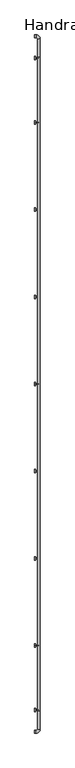
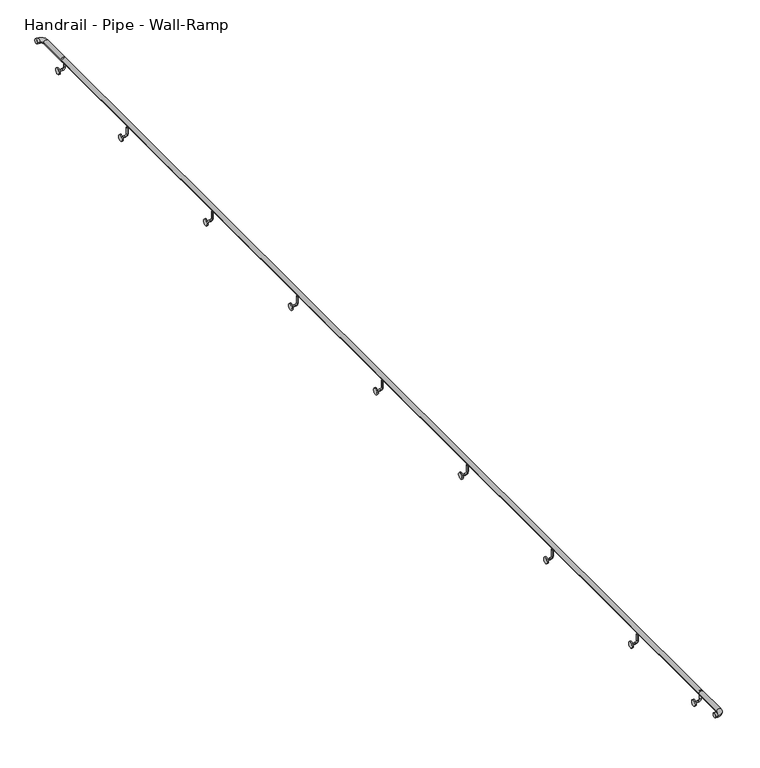
"""IFC4 building model written with IfcOpenShell, lengths in millimetres: railing geometry, Handrail - Pipe - Wall-Ramp."""

import ifcopenshell
import ifcopenshell.guid

model = None  # the IFC model being written
_history = None  # IfcOwnerHistory: only IFC2X3 demands one
_inside = {}  # id of a spatial element -> (the spatial element, [elements in it])
_under = {}  # id of a project, library or spatial element -> (it, [spatial elements below it])
_declared = {}  # id of a project -> (the project, [libraries it declares])
_typed = {}  # id of a type object -> (the type object, [elements of that type])
_made_of = {}  # id of a material, layer set ... -> (it, [elements and type objects made of it])


def new_model(schema):
    """Start an empty IFC model of exactly this schema.

    Asked for "IFC4X3", IfcOpenShell would pick the latest addendum, in which some entities
    have other attributes; the version numbers below select the first issue.
    IFC2X3 requires an IfcOwnerHistory on every rooted entity: one is made here for all.
    """
    global model, _history
    if schema == "IFC4X3":
        model = ifcopenshell.file(schema_version=(4, 3, 0, 0))
    else:
        model = ifcopenshell.file(schema=schema)
    _inside.clear()
    _under.clear()
    _declared.clear()
    _typed.clear()
    _made_of.clear()
    _history = None
    if model.schema == "IFC2X3":
        org = make("IfcOrganization", Name="unknown")
        user = make(
            "IfcPersonAndOrganization",
            ThePerson=make("IfcPerson", FamilyName="unknown"),
            TheOrganization=org,
        )
        app = make(
            "IfcApplication",
            ApplicationDeveloper=org,
            Version="unknown",
            ApplicationFullName="unknown",
            ApplicationIdentifier="unknown",
        )
        _history = make(
            "IfcOwnerHistory",
            OwningUser=user,
            OwningApplication=app,
            ChangeAction="ADDED",
            CreationDate=0,
        )
    return model


def make(cls, **values):
    """One entity of the class cls with the attributes given. An attribute that is None is left unset."""
    return model.create_entity(
        cls, **{name: value for name, value in values.items() if value is not None}
    )


def rooted(cls, **values):
    """An entity with a GlobalId (a new one), such as an element, a storey or a relation."""
    return make(cls, GlobalId=ifcopenshell.guid.new(), OwnerHistory=_history, **values)


def si_unit(unit_type, name, prefix=None):
    """IfcSIUnit, for example si_unit("LENGTHUNIT", "METRE", prefix="MILLI")."""
    return make("IfcSIUnit", UnitType=unit_type, Prefix=prefix, Name=name)


def assignment(units):
    """IfcUnitAssignment: the units of a project."""
    return None if units is None else make("IfcUnitAssignment", Units=units)


def point(xyz):
    """IfcCartesianPoint."""
    return None if xyz is None else make("IfcCartesianPoint", Coordinates=xyz)


def direction(xyz):
    """IfcDirection."""
    return None if xyz is None else make("IfcDirection", DirectionRatios=xyz)


def frame(location, z_axis=None, x_axis=None):
    """IfcAxis2Placement3D, a coordinate frame: its origin and axes. An axis left out is left unset."""
    return make(
        "IfcAxis2Placement3D",
        Location=point(location),
        Axis=direction(z_axis),
        RefDirection=direction(x_axis),
    )


def frame_2d(location, x_axis=None):
    """IfcAxis2Placement2D, a coordinate frame in the plane: its origin and x axis."""
    return make(
        "IfcAxis2Placement2D", Location=point(location), RefDirection=direction(x_axis)
    )


def origin():
    """The frame at (0, 0, 0) with its axes left unset."""
    return frame((0.0, 0.0, 0.0))


def place(relative_to, where):
    """IfcLocalPlacement: puts the frame where relative to a parent placement (None: the world)."""
    return make(
        "IfcLocalPlacement", PlacementRelTo=relative_to, RelativePlacement=where
    )


def context(
    kind, dimensions, precision=None, world=None, true_north=None, identifier=None
):
    """IfcGeometricRepresentationContext, for example the 3D "Model" context."""
    return make(
        "IfcGeometricRepresentationContext",
        ContextIdentifier=identifier,
        ContextType=kind,
        CoordinateSpaceDimension=dimensions,
        Precision=precision,
        WorldCoordinateSystem=world,
        TrueNorth=true_north,
    )


def project(units=None, contexts=None):
    """IfcProject with its units and contexts."""
    return rooted(
        "IfcProject",
        Name="project",
        RepresentationContexts=contexts,
        UnitsInContext=assignment(units),
    )


def spatial(cls, under=None, at=None, **own):
    """A site, building, storey or space (cls), placed at a placement, below another one or the project."""
    s = rooted(cls, ObjectPlacement=at, **own)
    if under is not None:
        _under.setdefault(under.id(), (under, []))[1].append(s)
    return s


def circle_curve(where, radius):
    """IfcCircle in the frame where."""
    return make("IfcCircle", Position=where, Radius=radius)


def ellipse_curve(where, semi_axis1, semi_axis2):
    """IfcEllipse in the frame where."""
    return make(
        "IfcEllipse", Position=where, SemiAxis1=semi_axis1, SemiAxis2=semi_axis2
    )


def trimmed(basis, trim1, trim2, sense, master):
    """IfcTrimmedCurve: the piece of a basis curve between two trims."""
    return make(
        "IfcTrimmedCurve",
        BasisCurve=basis,
        Trim1=trim1,
        Trim2=trim2,
        SenseAgreement=sense,
        MasterRepresentation=master,
    )


def segment(curve, same_sense, transition):
    """IfcCompositeCurveSegment."""
    return make(
        "IfcCompositeCurveSegment",
        Transition=transition,
        SameSense=same_sense,
        ParentCurve=curve,
    )


def composite_curve(segments, self_intersect=None):
    """IfcCompositeCurve: segments joined end to end."""
    return make("IfcCompositeCurve", Segments=segments, SelfIntersect=self_intersect)


def outline(outer, holes=None, kind="AREA"):
    """IfcArbitraryClosedProfileDef: a profile drawn as a closed curve; with holes, ...WithVoids."""
    if holes is None:
        return make("IfcArbitraryClosedProfileDef", ProfileType=kind, OuterCurve=outer)
    return make(
        "IfcArbitraryProfileDefWithVoids",
        ProfileType=kind,
        OuterCurve=outer,
        InnerCurves=holes,
    )


def extrude(swept, where, along, depth):
    """IfcExtrudedAreaSolid: the profile swept, set in the frame where, extruded along a direction by depth."""
    return make(
        "IfcExtrudedAreaSolid",
        SweptArea=swept,
        Position=where,
        ExtrudedDirection=direction(along),
        Depth=depth,
    )


def shape(context_of_items, identifier, shape_type, items):
    """IfcShapeRepresentation: the items that make up one representation, for example the "Body"."""
    return make(
        "IfcShapeRepresentation",
        ContextOfItems=context_of_items,
        RepresentationIdentifier=identifier,
        RepresentationType=shape_type,
        Items=items,
    )


def source(mapping_origin, context_of_items, identifier, shape_type, items):
    """IfcRepresentationMap: a shape defined once, which mapped items show again and again."""
    return make(
        "IfcRepresentationMap",
        MappingOrigin=mapping_origin,
        MappedRepresentation=shape(context_of_items, identifier, shape_type, items),
    )


def transform(
    local_origin,
    x_axis=None,
    y_axis=None,
    z_axis=None,
    scale=None,
    scale2=None,
    scale3=None,
    uniform=True,
):
    """IfcCartesianTransformationOperator3D, or its non-uniform kind. x_axis, y_axis, z_axis: its Axis1, 2, 3."""
    if uniform:
        return make(
            "IfcCartesianTransformationOperator3D",
            Axis1=direction(x_axis),
            Axis2=direction(y_axis),
            LocalOrigin=point(local_origin),
            Scale=scale,
            Axis3=direction(z_axis),
        )
    return make(
        "IfcCartesianTransformationOperator3DnonUniform",
        Axis1=direction(x_axis),
        Axis2=direction(y_axis),
        LocalOrigin=point(local_origin),
        Scale=scale,
        Axis3=direction(z_axis),
        Scale2=scale2,
        Scale3=scale3,
    )


def mapped(mapping_source, mapping_target):
    """IfcMappedItem: shows the shape of a source again, moved by a transform."""
    return make(
        "IfcMappedItem", MappingSource=mapping_source, MappingTarget=mapping_target
    )


def made_of(thing, what):
    """Note that an element or type object is made of a material, layer set ...; save() writes the relation."""
    if what is not None:
        _made_of.setdefault(what.id(), (what, []))[1].append(thing)
    return thing


def element(
    cls,
    number,
    at=None,
    inside=None,
    cuts=None,
    type_object=None,
    material=None,
    context=None,
    identifier="Body",
    shape_type=None,
    held_by="IfcProductDefinitionShape",
    body=None,
    shapes=None,
    **own,
):
    """One element of the class cls, such as IfcWall. Its Tag is "e" and its number.

    at: its placement. inside: the storey or other place that contains it. cuts: it is an
    opening in that element (IfcRelVoidsElement). A single representation is given by context,
    identifier, shape_type and body (its items); several are given by shapes. held_by: the class
    of the entity that holds the representations. save() writes the other relations.
    """
    e = rooted(cls, Tag="e%d" % number, ObjectPlacement=at, **own)
    if body is not None:
        shapes = [shape(context, identifier, shape_type, body)]
    if shapes is not None:
        e.Representation = make(held_by, Representations=shapes)
    if inside is not None:
        _inside.setdefault(inside.id(), (inside, []))[1].append(e)
    if cuts is not None:
        rooted(
            "IfcRelVoidsElement", RelatingBuildingElement=cuts, RelatedOpeningElement=e
        )
    if type_object is not None:
        _typed.setdefault(type_object.id(), (type_object, []))[1].append(e)
    return made_of(e, material)


def aggregate(whole, parts):
    """IfcRelAggregates: a whole, such as a stair, and the parts it consists of."""
    return rooted("IfcRelAggregates", RelatingObject=whole, RelatedObjects=parts)


def save(model, path):
    """Write the relations noted so far, then the file.

    IfcRelAggregates (storeys below a building ...), IfcRelContainedInSpatialStructure (elements
    in a storey), IfcRelDefinesByType, IfcRelAssociatesMaterial and IfcRelDeclares: one each for
    every whole, place, type object, material and project.
    """
    for whole, parts in _under.values():
        aggregate(whole, parts)
    for where, things in _inside.values():
        rooted(
            "IfcRelContainedInSpatialStructure",
            RelatedElements=things,
            RelatingStructure=where,
        )
    for kind, things in _typed.values():
        rooted("IfcRelDefinesByType", RelatedObjects=things, RelatingType=kind)
    for what, things in _made_of.values():
        rooted("IfcRelAssociatesMaterial", RelatedObjects=things, RelatingMaterial=what)
    for by, libraries in _declared.values():
        rooted("IfcRelDeclares", RelatingContext=by, RelatedDefinitions=libraries)
    model.write(path)


def plane_surface(at):
    """IfcPlane: the flat surface through the origin of the frame at, square to its z axis."""
    return make("IfcPlane", Position=at)


def cylinder_surface(at, radius):
    """IfcCylindricalSurface: all points at the distance radius from the z axis of the frame at."""
    return make("IfcCylindricalSurface", Position=at, Radius=radius)


def revolved_surface(curve, axis_point, axis_direction):
    """IfcSurfaceOfRevolution: the curve turned about the line through axis_point along axis_direction."""
    return make(
        "IfcSurfaceOfRevolution",
        SweptCurve=make("IfcArbitraryOpenProfileDef", ProfileType="CURVE", Curve=curve),
        AxisPosition=make("IfcAxis1Placement", Location=point(axis_point), Axis=direction(axis_direction)),
    )


def advanced_brep(points, edges, surfaces, faces):
    """IfcAdvancedBrep: a solid bounded by faces that lie on surfaces and meet in shared edges.

    An edge is (start, end): straight between two places in points (the first is 0);
    or (start, end, curve); or (start, end, curve, False) where it runs against its curve.
    A face is (place in surfaces, loops), or (place, loops, False) where it looks against
    its surface's normal. A loop lists edges by number (the first is 1), with a minus sign
    where the edge is run from its end to its start. The first loop is the outer one.
    """
    corners = [point(p) for p in points]
    vertices = [make("IfcVertexPoint", VertexGeometry=c) for c in corners]
    made = []
    for start, end, *more in edges:
        made.append(
            make(
                "IfcEdgeCurve",
                EdgeStart=vertices[start],
                EdgeEnd=vertices[end],
                EdgeGeometry=more[0] if more else make("IfcPolyline", Points=[corners[start], corners[end]]),
                SameSense=more[1] if len(more) > 1 else True,
            )
        )
    hull = []
    for where, loops, *sense in faces:
        bounds = []
        for j, loop in enumerate(loops):
            ring = [make("IfcOrientedEdge", EdgeElement=made[abs(k) - 1], Orientation=k > 0) for k in loop]
            bounds.append(
                make(
                    "IfcFaceOuterBound" if j == 0 else "IfcFaceBound",
                    Bound=make("IfcEdgeLoop", EdgeList=ring),
                    Orientation=True,
                )
            )
        hull.append(make("IfcAdvancedFace", Bounds=bounds, FaceSurface=surfaces[where], SameSense=sense[0] if sense else True))
    return make("IfcAdvancedBrep", Outer=make("IfcClosedShell", CfsFaces=hull))


def handrail_pipe_wall_ramp_f1563d15(model_context):
    return source(origin(), model_context, "Body", "SolidModel", [
        extrude(outline(composite_curve([segment(trimmed(circle_curve(frame_2d((895.35, -6025.1478678)), 19.05), [point((895.35, -6006.0978678))], [point((895.35, -6044.1978678))], False, "CARTESIAN"), True, "CONTINUOUS"), segment(trimmed(circle_curve(frame_2d((895.35, -6025.1478678)), 19.05), [point((895.35, -6044.1978678))], [point((895.35, -6006.0978678))], False, "CARTESIAN"), True, "CONTINUOUS")], self_intersect=False)), frame((0.0, -14489.4143828, 0.0), z_axis=(0.0, 1.0, 0.0), x_axis=(0.0, 0.0, 1.0)), (0.0, 0.0, 1.0), 9144.0),
        advanced_brep(
        [(-6025.1478678, -13568.6643828, 857.25), (-6025.1478678, -13581.3643828, 857.25), (-6025.1478678, -13568.6643828, 800.1), (-6025.1478678, -13581.3643828, 800.1), (-6044.1978678, -13581.3643828, 781.05), (-6044.1978678, -13568.6643828, 781.05), (-6072.7728678, -13568.6643828, 781.05), (-6072.7728678, -13581.3643828, 781.05)],
        [
            (0, 1, circle_curve(frame((-6025.1478678, -13575.0143828, 857.25), z_axis=(0.0, 0.0, 1.0), x_axis=(0.0, -1.0, 0.0)), 6.35)),
            (1, 0, circle_curve(frame((-6025.1478678, -13575.0143828, 857.25), z_axis=(0.0, 0.0, 1.0), x_axis=(0.0, -1.0, 0.0)), 6.35)),
            (0, 2),
            (2, 3, circle_curve(frame((-6025.1478678, -13575.0143828, 800.1), z_axis=(0.0, 0.0, 1.0), x_axis=(0.0, -1.0, 0.0)), 6.35)),
            (3, 1),
            (3, 2, circle_curve(frame((-6025.1478678, -13575.0143828, 800.1), z_axis=(0.0, 0.0, 1.0), x_axis=(0.0, -1.0, 0.0)), 6.35)),
            (4, 3, circle_curve(frame((-6044.1978678, -13581.3643828, 800.1), z_axis=(0.0, -1.0, 0.0), x_axis=(1.0, 0.0, 0.0)), 19.05)),
            (2, 5, circle_curve(frame((-6044.1978678, -13568.6643828, 800.1), z_axis=(0.0, 1.0, 0.0), x_axis=(1.0, 0.0, 0.0)), 19.05)),
            (5, 4, circle_curve(frame((-6044.1978678, -13575.0143828, 781.05), z_axis=(1.0, 0.0, 0.0), x_axis=(0.0, -1.0, 0.0)), 6.35)),
            (4, 5, circle_curve(frame((-6044.1978678, -13575.0143828, 781.05), z_axis=(1.0, 0.0, 0.0), x_axis=(0.0, -1.0, 0.0)), 6.35)),
            (6, 7, circle_curve(frame((-6072.7728678, -13575.0143828, 781.05), z_axis=(-1.0, 0.0, 0.0), x_axis=(0.0, -1.0, 0.0)), 6.35)),
            (7, 6, circle_curve(frame((-6072.7728678, -13575.0143828, 781.05), z_axis=(-1.0, 0.0, 0.0), x_axis=(0.0, -1.0, 0.0)), 6.35)),
            (5, 6),
            (7, 4),
        ],
        [
            plane_surface(frame((-6025.1478678, -13581.3643828, 857.25), z_axis=(0.0, 0.0, 1.0), x_axis=(-1.0, 0.0, 0.0))),
            cylinder_surface(frame((-6025.1478678, -13575.0143828, 857.25), z_axis=(0.0, 0.0, 1.0), x_axis=(0.0, -1.0, 0.0)), 6.35),
            revolved_surface(trimmed(ellipse_curve(frame((-6025.1478678, -13575.0143828, 800.1), z_axis=(0.0, 0.0, 1.0), x_axis=(0.0, -1.0, 0.0)), 6.35, 6.35), [point((-6025.1478678, -13568.6643828, 800.1))], [point((-6025.1478678, -13581.3643828, 800.1))], True, "CARTESIAN"), (-6044.1978678, -13575.0143828, 800.1), (0.0, 1.0, 0.0)),
            revolved_surface(trimmed(ellipse_curve(frame((-6025.1478678, -13575.0143828, 800.1), z_axis=(0.0, 0.0, 1.0), x_axis=(0.0, -1.0, 0.0)), 6.35, 6.35), [point((-6025.1478678, -13581.3643828, 800.1))], [point((-6025.1478678, -13568.6643828, 800.1))], True, "CARTESIAN"), (-6044.1978678, -13575.0143828, 800.1), (0.0, 1.0, 0.0)),
            plane_surface(frame((-6072.7728678, -13575.0143828, 774.7), z_axis=(-1.0, 0.0, 0.0), x_axis=(0.0, -1.0, 0.0))),
            cylinder_surface(frame((-6044.1978678, -13575.0143828, 781.05), z_axis=(1.0, 0.0, 0.0), x_axis=(0.0, -1.0, 0.0)), 6.35),
        ],
        [
            (0, [[1, 2]]),
            (1, [[-1, 3, 4, 5]]),
            (1, [[-2, -5, 6, -3]]),
            (2, [[7, -4, 8, 9]]),
            (3, [[-8, -6, -7, 10]]),
            (4, [[11, 12]]),
            (5, [[-9, 13, -12, 14]]),
            (5, [[-10, -14, -11, -13]]),
        ],
    ),
        extrude(outline(composite_curve([segment(trimmed(circle_curve(frame_2d((-13575.0143828, 781.05)), 25.4), [point((-13600.4143828, 781.05))], [point((-13549.6143828, 781.05))], False, "CARTESIAN"), True, "CONTINUOUS"), segment(trimmed(circle_curve(frame_2d((-13575.0143828, 781.05)), 25.4), [point((-13549.6143828, 781.05))], [point((-13600.4143828, 781.05))], False, "CARTESIAN"), True, "CONTINUOUS")], self_intersect=False)), frame((-6082.2978678, 0.0, 0.0), z_axis=(1.0, 0.0, 0.0), x_axis=(0.0, 1.0, 0.0)), (0.0, 0.0, 1.0), 9.525),
        advanced_brep(
        [(-6025.1478678, -12349.4643828, 857.25), (-6025.1478678, -12362.1643828, 857.25), (-6025.1478678, -12349.4643828, 800.1), (-6025.1478678, -12362.1643828, 800.1), (-6044.1978678, -12362.1643828, 781.05), (-6044.1978678, -12349.4643828, 781.05), (-6072.7728678, -12349.4643828, 781.05), (-6072.7728678, -12362.1643828, 781.05)],
        [
            (0, 1, circle_curve(frame((-6025.1478678, -12355.8143828, 857.25), z_axis=(0.0, 0.0, 1.0), x_axis=(0.0, -1.0, 0.0)), 6.35)),
            (1, 0, circle_curve(frame((-6025.1478678, -12355.8143828, 857.25), z_axis=(0.0, 0.0, 1.0), x_axis=(0.0, -1.0, 0.0)), 6.35)),
            (0, 2),
            (2, 3, circle_curve(frame((-6025.1478678, -12355.8143828, 800.1), z_axis=(0.0, 0.0, 1.0), x_axis=(0.0, -1.0, 0.0)), 6.35)),
            (3, 1),
            (3, 2, circle_curve(frame((-6025.1478678, -12355.8143828, 800.1), z_axis=(0.0, 0.0, 1.0), x_axis=(0.0, -1.0, 0.0)), 6.35)),
            (4, 3, circle_curve(frame((-6044.1978678, -12362.1643828, 800.1), z_axis=(0.0, -1.0, 0.0), x_axis=(1.0, 0.0, 0.0)), 19.05)),
            (2, 5, circle_curve(frame((-6044.1978678, -12349.4643828, 800.1), z_axis=(0.0, 1.0, 0.0), x_axis=(1.0, 0.0, 0.0)), 19.05)),
            (5, 4, circle_curve(frame((-6044.1978678, -12355.8143828, 781.05), z_axis=(1.0, 0.0, 0.0), x_axis=(0.0, -1.0, 0.0)), 6.35)),
            (4, 5, circle_curve(frame((-6044.1978678, -12355.8143828, 781.05), z_axis=(1.0, 0.0, 0.0), x_axis=(0.0, -1.0, 0.0)), 6.35)),
            (6, 7, circle_curve(frame((-6072.7728678, -12355.8143828, 781.05), z_axis=(-1.0, 0.0, 0.0), x_axis=(0.0, -1.0, 0.0)), 6.35)),
            (7, 6, circle_curve(frame((-6072.7728678, -12355.8143828, 781.05), z_axis=(-1.0, 0.0, 0.0), x_axis=(0.0, -1.0, 0.0)), 6.35)),
            (5, 6),
            (7, 4),
        ],
        [
            plane_surface(frame((-6025.1478678, -12362.1643828, 857.25), z_axis=(0.0, 0.0, 1.0), x_axis=(-1.0, 0.0, 0.0))),
            cylinder_surface(frame((-6025.1478678, -12355.8143828, 857.25), z_axis=(0.0, 0.0, 1.0), x_axis=(0.0, -1.0, 0.0)), 6.35),
            revolved_surface(trimmed(ellipse_curve(frame((-6025.1478678, -12355.8143828, 800.1), z_axis=(0.0, 0.0, 1.0), x_axis=(0.0, -1.0, 0.0)), 6.35, 6.35), [point((-6025.1478678, -12349.4643828, 800.1))], [point((-6025.1478678, -12362.1643828, 800.1))], True, "CARTESIAN"), (-6044.1978678, -12355.8143828, 800.1), (0.0, 1.0, 0.0)),
            revolved_surface(trimmed(ellipse_curve(frame((-6025.1478678, -12355.8143828, 800.1), z_axis=(0.0, 0.0, 1.0), x_axis=(0.0, -1.0, 0.0)), 6.35, 6.35), [point((-6025.1478678, -12362.1643828, 800.1))], [point((-6025.1478678, -12349.4643828, 800.1))], True, "CARTESIAN"), (-6044.1978678, -12355.8143828, 800.1), (0.0, 1.0, 0.0)),
            plane_surface(frame((-6072.7728678, -12355.8143828, 774.7), z_axis=(-1.0, 0.0, 0.0), x_axis=(0.0, -1.0, 0.0))),
            cylinder_surface(frame((-6044.1978678, -12355.8143828, 781.05), z_axis=(1.0, 0.0, 0.0), x_axis=(0.0, -1.0, 0.0)), 6.35),
        ],
        [
            (0, [[1, 2]]),
            (1, [[-1, 3, 4, 5]]),
            (1, [[-2, -5, 6, -3]]),
            (2, [[7, -4, 8, 9]]),
            (3, [[-8, -6, -7, 10]]),
            (4, [[11, 12]]),
            (5, [[-9, 13, -12, 14]]),
            (5, [[-10, -14, -11, -13]]),
        ],
    ),
        extrude(outline(composite_curve([segment(trimmed(circle_curve(frame_2d((-12355.8143828, 781.05)), 25.4), [point((-12381.2143828, 781.05))], [point((-12330.4143828, 781.05))], False, "CARTESIAN"), True, "CONTINUOUS"), segment(trimmed(circle_curve(frame_2d((-12355.8143828, 781.05)), 25.4), [point((-12330.4143828, 781.05))], [point((-12381.2143828, 781.05))], False, "CARTESIAN"), True, "CONTINUOUS")], self_intersect=False)), frame((-6082.2978678, 0.0, 0.0), z_axis=(1.0, 0.0, 0.0), x_axis=(0.0, 1.0, 0.0)), (0.0, 0.0, 1.0), 9.525),
        advanced_brep(
        [(-6025.1478678, -11130.2643828, 857.25), (-6025.1478678, -11142.9643828, 857.25), (-6025.1478678, -11130.2643828, 800.1), (-6025.1478678, -11142.9643828, 800.1), (-6044.1978678, -11142.9643828, 781.05), (-6044.1978678, -11130.2643828, 781.05), (-6072.7728678, -11130.2643828, 781.05), (-6072.7728678, -11142.9643828, 781.05)],
        [
            (0, 1, circle_curve(frame((-6025.1478678, -11136.6143828, 857.25), z_axis=(0.0, 0.0, 1.0), x_axis=(0.0, -1.0, 0.0)), 6.35)),
            (1, 0, circle_curve(frame((-6025.1478678, -11136.6143828, 857.25), z_axis=(0.0, 0.0, 1.0), x_axis=(0.0, -1.0, 0.0)), 6.35)),
            (0, 2),
            (2, 3, circle_curve(frame((-6025.1478678, -11136.6143828, 800.1), z_axis=(0.0, 0.0, 1.0), x_axis=(0.0, -1.0, 0.0)), 6.35)),
            (3, 1),
            (3, 2, circle_curve(frame((-6025.1478678, -11136.6143828, 800.1), z_axis=(0.0, 0.0, 1.0), x_axis=(0.0, -1.0, 0.0)), 6.35)),
            (4, 3, circle_curve(frame((-6044.1978678, -11142.9643828, 800.1), z_axis=(0.0, -1.0, 0.0), x_axis=(1.0, 0.0, 0.0)), 19.05)),
            (2, 5, circle_curve(frame((-6044.1978678, -11130.2643828, 800.1), z_axis=(0.0, 1.0, 0.0), x_axis=(1.0, 0.0, 0.0)), 19.05)),
            (5, 4, circle_curve(frame((-6044.1978678, -11136.6143828, 781.05), z_axis=(1.0, 0.0, 0.0), x_axis=(0.0, -1.0, 0.0)), 6.35)),
            (4, 5, circle_curve(frame((-6044.1978678, -11136.6143828, 781.05), z_axis=(1.0, 0.0, 0.0), x_axis=(0.0, -1.0, 0.0)), 6.35)),
            (6, 7, circle_curve(frame((-6072.7728678, -11136.6143828, 781.05), z_axis=(-1.0, 0.0, 0.0), x_axis=(0.0, -1.0, 0.0)), 6.35)),
            (7, 6, circle_curve(frame((-6072.7728678, -11136.6143828, 781.05), z_axis=(-1.0, 0.0, 0.0), x_axis=(0.0, -1.0, 0.0)), 6.35)),
            (5, 6),
            (7, 4),
        ],
        [
            plane_surface(frame((-6025.1478678, -11142.9643828, 857.25), z_axis=(0.0, 0.0, 1.0), x_axis=(-1.0, 0.0, 0.0))),
            cylinder_surface(frame((-6025.1478678, -11136.6143828, 857.25), z_axis=(0.0, 0.0, 1.0), x_axis=(0.0, -1.0, 0.0)), 6.35),
            revolved_surface(trimmed(ellipse_curve(frame((-6025.1478678, -11136.6143828, 800.1), z_axis=(0.0, 0.0, 1.0), x_axis=(0.0, -1.0, 0.0)), 6.35, 6.35), [point((-6025.1478678, -11130.2643828, 800.1))], [point((-6025.1478678, -11142.9643828, 800.1))], True, "CARTESIAN"), (-6044.1978678, -11136.6143828, 800.1), (0.0, 1.0, 0.0)),
            revolved_surface(trimmed(ellipse_curve(frame((-6025.1478678, -11136.6143828, 800.1), z_axis=(0.0, 0.0, 1.0), x_axis=(0.0, -1.0, 0.0)), 6.35, 6.35), [point((-6025.1478678, -11142.9643828, 800.1))], [point((-6025.1478678, -11130.2643828, 800.1))], True, "CARTESIAN"), (-6044.1978678, -11136.6143828, 800.1), (0.0, 1.0, 0.0)),
            plane_surface(frame((-6072.7728678, -11136.6143828, 774.7), z_axis=(-1.0, 0.0, 0.0), x_axis=(0.0, -1.0, 0.0))),
            cylinder_surface(frame((-6044.1978678, -11136.6143828, 781.05), z_axis=(1.0, 0.0, 0.0), x_axis=(0.0, -1.0, 0.0)), 6.35),
        ],
        [
            (0, [[1, 2]]),
            (1, [[-1, 3, 4, 5]]),
            (1, [[-2, -5, 6, -3]]),
            (2, [[7, -4, 8, 9]]),
            (3, [[-8, -6, -7, 10]]),
            (4, [[11, 12]]),
            (5, [[-9, 13, -12, 14]]),
            (5, [[-10, -14, -11, -13]]),
        ],
    ),
        extrude(outline(composite_curve([segment(trimmed(circle_curve(frame_2d((-11136.6143828, 781.05)), 25.4), [point((-11162.0143828, 781.05))], [point((-11111.2143828, 781.05))], False, "CARTESIAN"), True, "CONTINUOUS"), segment(trimmed(circle_curve(frame_2d((-11136.6143828, 781.05)), 25.4), [point((-11111.2143828, 781.05))], [point((-11162.0143828, 781.05))], False, "CARTESIAN"), True, "CONTINUOUS")], self_intersect=False)), frame((-6082.2978678, 0.0, 0.0), z_axis=(1.0, 0.0, 0.0), x_axis=(0.0, 1.0, 0.0)), (0.0, 0.0, 1.0), 9.525),
        advanced_brep(
        [(-6025.1478678, -9911.0643828, 857.25), (-6025.1478678, -9923.7643828, 857.25), (-6025.1478678, -9911.0643828, 800.1), (-6025.1478678, -9923.7643828, 800.1), (-6044.1978678, -9923.7643828, 781.05), (-6044.1978678, -9911.0643828, 781.05), (-6072.7728678, -9911.0643828, 781.05), (-6072.7728678, -9923.7643828, 781.05)],
        [
            (0, 1, circle_curve(frame((-6025.1478678, -9917.4143828, 857.25), z_axis=(0.0, 0.0, 1.0), x_axis=(0.0, -1.0, 0.0)), 6.35)),
            (1, 0, circle_curve(frame((-6025.1478678, -9917.4143828, 857.25), z_axis=(0.0, 0.0, 1.0), x_axis=(0.0, -1.0, 0.0)), 6.35)),
            (0, 2),
            (2, 3, circle_curve(frame((-6025.1478678, -9917.4143828, 800.1), z_axis=(0.0, 0.0, 1.0), x_axis=(0.0, -1.0, 0.0)), 6.35)),
            (3, 1),
            (3, 2, circle_curve(frame((-6025.1478678, -9917.4143828, 800.1), z_axis=(0.0, 0.0, 1.0), x_axis=(0.0, -1.0, 0.0)), 6.35)),
            (4, 3, circle_curve(frame((-6044.1978678, -9923.7643828, 800.1), z_axis=(0.0, -1.0, 0.0), x_axis=(1.0, 0.0, 0.0)), 19.05)),
            (2, 5, circle_curve(frame((-6044.1978678, -9911.0643828, 800.1), z_axis=(0.0, 1.0, 0.0), x_axis=(1.0, 0.0, 0.0)), 19.05)),
            (5, 4, circle_curve(frame((-6044.1978678, -9917.4143828, 781.05), z_axis=(1.0, 0.0, 0.0), x_axis=(0.0, -1.0, 0.0)), 6.35)),
            (4, 5, circle_curve(frame((-6044.1978678, -9917.4143828, 781.05), z_axis=(1.0, 0.0, 0.0), x_axis=(0.0, -1.0, 0.0)), 6.35)),
            (6, 7, circle_curve(frame((-6072.7728678, -9917.4143828, 781.05), z_axis=(-1.0, 0.0, 0.0), x_axis=(0.0, -1.0, 0.0)), 6.35)),
            (7, 6, circle_curve(frame((-6072.7728678, -9917.4143828, 781.05), z_axis=(-1.0, 0.0, 0.0), x_axis=(0.0, -1.0, 0.0)), 6.35)),
            (5, 6),
            (7, 4),
        ],
        [
            plane_surface(frame((-6025.1478678, -9923.7643828, 857.25), z_axis=(0.0, 0.0, 1.0), x_axis=(-1.0, 0.0, 0.0))),
            cylinder_surface(frame((-6025.1478678, -9917.4143828, 857.25), z_axis=(0.0, 0.0, 1.0), x_axis=(0.0, -1.0, 0.0)), 6.35),
            revolved_surface(trimmed(ellipse_curve(frame((-6025.1478678, -9917.4143828, 800.1), z_axis=(0.0, 0.0, 1.0), x_axis=(0.0, -1.0, 0.0)), 6.35, 6.35), [point((-6025.1478678, -9911.0643828, 800.1))], [point((-6025.1478678, -9923.7643828, 800.1))], True, "CARTESIAN"), (-6044.1978678, -9917.4143828, 800.1), (0.0, 1.0, 0.0)),
            revolved_surface(trimmed(ellipse_curve(frame((-6025.1478678, -9917.4143828, 800.1), z_axis=(0.0, 0.0, 1.0), x_axis=(0.0, -1.0, 0.0)), 6.35, 6.35), [point((-6025.1478678, -9923.7643828, 800.1))], [point((-6025.1478678, -9911.0643828, 800.1))], True, "CARTESIAN"), (-6044.1978678, -9917.4143828, 800.1), (0.0, 1.0, 0.0)),
            plane_surface(frame((-6072.7728678, -9917.4143828, 774.7), z_axis=(-1.0, 0.0, 0.0), x_axis=(0.0, -1.0, 0.0))),
            cylinder_surface(frame((-6044.1978678, -9917.4143828, 781.05), z_axis=(1.0, 0.0, 0.0), x_axis=(0.0, -1.0, 0.0)), 6.35),
        ],
        [
            (0, [[1, 2]]),
            (1, [[-1, 3, 4, 5]]),
            (1, [[-2, -5, 6, -3]]),
            (2, [[7, -4, 8, 9]]),
            (3, [[-8, -6, -7, 10]]),
            (4, [[11, 12]]),
            (5, [[-9, 13, -12, 14]]),
            (5, [[-10, -14, -11, -13]]),
        ],
    ),
        extrude(outline(composite_curve([segment(trimmed(circle_curve(frame_2d((-9917.4143828, 781.05)), 25.4), [point((-9942.8143828, 781.05))], [point((-9892.0143828, 781.05))], False, "CARTESIAN"), True, "CONTINUOUS"), segment(trimmed(circle_curve(frame_2d((-9917.4143828, 781.05)), 25.4), [point((-9892.0143828, 781.05))], [point((-9942.8143828, 781.05))], False, "CARTESIAN"), True, "CONTINUOUS")], self_intersect=False)), frame((-6082.2978678, 0.0, 0.0), z_axis=(1.0, 0.0, 0.0), x_axis=(0.0, 1.0, 0.0)), (0.0, 0.0, 1.0), 9.525),
        advanced_brep(
        [(-6025.1478678, -8691.8643828, 857.25), (-6025.1478678, -8704.5643828, 857.25), (-6025.1478678, -8691.8643828, 800.1), (-6025.1478678, -8704.5643828, 800.1), (-6044.1978678, -8704.5643828, 781.05), (-6044.1978678, -8691.8643828, 781.05), (-6072.7728678, -8691.8643828, 781.05), (-6072.7728678, -8704.5643828, 781.05)],
        [
            (0, 1, circle_curve(frame((-6025.1478678, -8698.2143828, 857.25), z_axis=(0.0, 0.0, 1.0), x_axis=(0.0, -1.0, 0.0)), 6.35)),
            (1, 0, circle_curve(frame((-6025.1478678, -8698.2143828, 857.25), z_axis=(0.0, 0.0, 1.0), x_axis=(0.0, -1.0, 0.0)), 6.35)),
            (0, 2),
            (2, 3, circle_curve(frame((-6025.1478678, -8698.2143828, 800.1), z_axis=(0.0, 0.0, 1.0), x_axis=(0.0, -1.0, 0.0)), 6.35)),
            (3, 1),
            (3, 2, circle_curve(frame((-6025.1478678, -8698.2143828, 800.1), z_axis=(0.0, 0.0, 1.0), x_axis=(0.0, -1.0, 0.0)), 6.35)),
            (4, 3, circle_curve(frame((-6044.1978678, -8704.5643828, 800.1), z_axis=(0.0, -1.0, 0.0), x_axis=(1.0, 0.0, 0.0)), 19.05)),
            (2, 5, circle_curve(frame((-6044.1978678, -8691.8643828, 800.1), z_axis=(0.0, 1.0, 0.0), x_axis=(1.0, 0.0, 0.0)), 19.05)),
            (5, 4, circle_curve(frame((-6044.1978678, -8698.2143828, 781.05), z_axis=(1.0, 0.0, 0.0), x_axis=(0.0, -1.0, 0.0)), 6.35)),
            (4, 5, circle_curve(frame((-6044.1978678, -8698.2143828, 781.05), z_axis=(1.0, 0.0, 0.0), x_axis=(0.0, -1.0, 0.0)), 6.35)),
            (6, 7, circle_curve(frame((-6072.7728678, -8698.2143828, 781.05), z_axis=(-1.0, 0.0, 0.0), x_axis=(0.0, -1.0, 0.0)), 6.35)),
            (7, 6, circle_curve(frame((-6072.7728678, -8698.2143828, 781.05), z_axis=(-1.0, 0.0, 0.0), x_axis=(0.0, -1.0, 0.0)), 6.35)),
            (5, 6),
            (7, 4),
        ],
        [
            plane_surface(frame((-6025.1478678, -8704.5643828, 857.25), z_axis=(0.0, 0.0, 1.0), x_axis=(-1.0, 0.0, 0.0))),
            cylinder_surface(frame((-6025.1478678, -8698.2143828, 857.25), z_axis=(0.0, 0.0, 1.0), x_axis=(0.0, -1.0, 0.0)), 6.35),
            revolved_surface(trimmed(ellipse_curve(frame((-6025.1478678, -8698.2143828, 800.1), z_axis=(0.0, 0.0, 1.0), x_axis=(0.0, -1.0, 0.0)), 6.35, 6.35), [point((-6025.1478678, -8691.8643828, 800.1))], [point((-6025.1478678, -8704.5643828, 800.1))], True, "CARTESIAN"), (-6044.1978678, -8698.2143828, 800.1), (0.0, 1.0, 0.0)),
            revolved_surface(trimmed(ellipse_curve(frame((-6025.1478678, -8698.2143828, 800.1), z_axis=(0.0, 0.0, 1.0), x_axis=(0.0, -1.0, 0.0)), 6.35, 6.35), [point((-6025.1478678, -8704.5643828, 800.1))], [point((-6025.1478678, -8691.8643828, 800.1))], True, "CARTESIAN"), (-6044.1978678, -8698.2143828, 800.1), (0.0, 1.0, 0.0)),
            plane_surface(frame((-6072.7728678, -8698.2143828, 774.7), z_axis=(-1.0, 0.0, 0.0), x_axis=(0.0, -1.0, 0.0))),
            cylinder_surface(frame((-6044.1978678, -8698.2143828, 781.05), z_axis=(1.0, 0.0, 0.0), x_axis=(0.0, -1.0, 0.0)), 6.35),
        ],
        [
            (0, [[1, 2]]),
            (1, [[-1, 3, 4, 5]]),
            (1, [[-2, -5, 6, -3]]),
            (2, [[7, -4, 8, 9]]),
            (3, [[-8, -6, -7, 10]]),
            (4, [[11, 12]]),
            (5, [[-9, 13, -12, 14]]),
            (5, [[-10, -14, -11, -13]]),
        ],
    ),
        extrude(outline(composite_curve([segment(trimmed(circle_curve(frame_2d((-8698.2143828, 781.05)), 25.4), [point((-8723.6143828, 781.05))], [point((-8672.8143828, 781.05))], False, "CARTESIAN"), True, "CONTINUOUS"), segment(trimmed(circle_curve(frame_2d((-8698.2143828, 781.05)), 25.4), [point((-8672.8143828, 781.05))], [point((-8723.6143828, 781.05))], False, "CARTESIAN"), True, "CONTINUOUS")], self_intersect=False)), frame((-6082.2978678, 0.0, 0.0), z_axis=(1.0, 0.0, 0.0), x_axis=(0.0, 1.0, 0.0)), (0.0, 0.0, 1.0), 9.525),
        advanced_brep(
        [(-6025.1478678, -7472.6643828, 857.25), (-6025.1478678, -7485.3643828, 857.25), (-6025.1478678, -7472.6643828, 800.1), (-6025.1478678, -7485.3643828, 800.1), (-6044.1978678, -7485.3643828, 781.05), (-6044.1978678, -7472.6643828, 781.05), (-6072.7728678, -7472.6643828, 781.05), (-6072.7728678, -7485.3643828, 781.05)],
        [
            (0, 1, circle_curve(frame((-6025.1478678, -7479.0143828, 857.25), z_axis=(0.0, 0.0, 1.0), x_axis=(0.0, -1.0, 0.0)), 6.35)),
            (1, 0, circle_curve(frame((-6025.1478678, -7479.0143828, 857.25), z_axis=(0.0, 0.0, 1.0), x_axis=(0.0, -1.0, 0.0)), 6.35)),
            (0, 2),
            (2, 3, circle_curve(frame((-6025.1478678, -7479.0143828, 800.1), z_axis=(0.0, 0.0, 1.0), x_axis=(0.0, -1.0, 0.0)), 6.35)),
            (3, 1),
            (3, 2, circle_curve(frame((-6025.1478678, -7479.0143828, 800.1), z_axis=(0.0, 0.0, 1.0), x_axis=(0.0, -1.0, 0.0)), 6.35)),
            (4, 3, circle_curve(frame((-6044.1978678, -7485.3643828, 800.1), z_axis=(0.0, -1.0, 0.0), x_axis=(1.0, 0.0, 0.0)), 19.05)),
            (2, 5, circle_curve(frame((-6044.1978678, -7472.6643828, 800.1), z_axis=(0.0, 1.0, 0.0), x_axis=(1.0, 0.0, 0.0)), 19.05)),
            (5, 4, circle_curve(frame((-6044.1978678, -7479.0143828, 781.05), z_axis=(1.0, 0.0, 0.0), x_axis=(0.0, -1.0, 0.0)), 6.35)),
            (4, 5, circle_curve(frame((-6044.1978678, -7479.0143828, 781.05), z_axis=(1.0, 0.0, 0.0), x_axis=(0.0, -1.0, 0.0)), 6.35)),
            (6, 7, circle_curve(frame((-6072.7728678, -7479.0143828, 781.05), z_axis=(-1.0, 0.0, 0.0), x_axis=(0.0, -1.0, 0.0)), 6.35)),
            (7, 6, circle_curve(frame((-6072.7728678, -7479.0143828, 781.05), z_axis=(-1.0, 0.0, 0.0), x_axis=(0.0, -1.0, 0.0)), 6.35)),
            (5, 6),
            (7, 4),
        ],
        [
            plane_surface(frame((-6025.1478678, -7485.3643828, 857.25), z_axis=(0.0, 0.0, 1.0), x_axis=(-1.0, 0.0, 0.0))),
            cylinder_surface(frame((-6025.1478678, -7479.0143828, 857.25), z_axis=(0.0, 0.0, 1.0), x_axis=(0.0, -1.0, 0.0)), 6.35),
            revolved_surface(trimmed(ellipse_curve(frame((-6025.1478678, -7479.0143828, 800.1), z_axis=(0.0, 0.0, 1.0), x_axis=(0.0, -1.0, 0.0)), 6.35, 6.35), [point((-6025.1478678, -7472.6643828, 800.1))], [point((-6025.1478678, -7485.3643828, 800.1))], True, "CARTESIAN"), (-6044.1978678, -7479.0143828, 800.1), (0.0, 1.0, 0.0)),
            revolved_surface(trimmed(ellipse_curve(frame((-6025.1478678, -7479.0143828, 800.1), z_axis=(0.0, 0.0, 1.0), x_axis=(0.0, -1.0, 0.0)), 6.35, 6.35), [point((-6025.1478678, -7485.3643828, 800.1))], [point((-6025.1478678, -7472.6643828, 800.1))], True, "CARTESIAN"), (-6044.1978678, -7479.0143828, 800.1), (0.0, 1.0, 0.0)),
            plane_surface(frame((-6072.7728678, -7479.0143828, 774.7), z_axis=(-1.0, 0.0, 0.0), x_axis=(0.0, -1.0, 0.0))),
            cylinder_surface(frame((-6044.1978678, -7479.0143828, 781.05), z_axis=(1.0, 0.0, 0.0), x_axis=(0.0, -1.0, 0.0)), 6.35),
        ],
        [
            (0, [[1, 2]]),
            (1, [[-1, 3, 4, 5]]),
            (1, [[-2, -5, 6, -3]]),
            (2, [[7, -4, 8, 9]]),
            (3, [[-8, -6, -7, 10]]),
            (4, [[11, 12]]),
            (5, [[-9, 13, -12, 14]]),
            (5, [[-10, -14, -11, -13]]),
        ],
    ),
        extrude(outline(composite_curve([segment(trimmed(circle_curve(frame_2d((-7479.0143828, 781.05)), 25.4), [point((-7504.4143828, 781.05))], [point((-7453.6143828, 781.05))], False, "CARTESIAN"), True, "CONTINUOUS"), segment(trimmed(circle_curve(frame_2d((-7479.0143828, 781.05)), 25.4), [point((-7453.6143828, 781.05))], [point((-7504.4143828, 781.05))], False, "CARTESIAN"), True, "CONTINUOUS")], self_intersect=False)), frame((-6082.2978678, 0.0, 0.0), z_axis=(1.0, 0.0, 0.0), x_axis=(0.0, 1.0, 0.0)), (0.0, 0.0, 1.0), 9.525),
        advanced_brep(
        [(-6025.1478678, -6253.4643828, 857.25), (-6025.1478678, -6266.1643828, 857.25), (-6025.1478678, -6253.4643828, 800.1), (-6025.1478678, -6266.1643828, 800.1), (-6044.1978678, -6266.1643828, 781.05), (-6044.1978678, -6253.4643828, 781.05), (-6072.7728678, -6253.4643828, 781.05), (-6072.7728678, -6266.1643828, 781.05)],
        [
            (0, 1, circle_curve(frame((-6025.1478678, -6259.8143828, 857.25), z_axis=(0.0, 0.0, 1.0), x_axis=(0.0, -1.0, 0.0)), 6.35)),
            (1, 0, circle_curve(frame((-6025.1478678, -6259.8143828, 857.25), z_axis=(0.0, 0.0, 1.0), x_axis=(0.0, -1.0, 0.0)), 6.35)),
            (0, 2),
            (2, 3, circle_curve(frame((-6025.1478678, -6259.8143828, 800.1), z_axis=(0.0, 0.0, 1.0), x_axis=(0.0, -1.0, 0.0)), 6.35)),
            (3, 1),
            (3, 2, circle_curve(frame((-6025.1478678, -6259.8143828, 800.1), z_axis=(0.0, 0.0, 1.0), x_axis=(0.0, -1.0, 0.0)), 6.35)),
            (4, 3, circle_curve(frame((-6044.1978678, -6266.1643828, 800.1), z_axis=(0.0, -1.0, 0.0), x_axis=(1.0, 0.0, 0.0)), 19.05)),
            (2, 5, circle_curve(frame((-6044.1978678, -6253.4643828, 800.1), z_axis=(0.0, 1.0, 0.0), x_axis=(1.0, 0.0, 0.0)), 19.05)),
            (5, 4, circle_curve(frame((-6044.1978678, -6259.8143828, 781.05), z_axis=(1.0, 0.0, 0.0), x_axis=(0.0, -1.0, 0.0)), 6.35)),
            (4, 5, circle_curve(frame((-6044.1978678, -6259.8143828, 781.05), z_axis=(1.0, 0.0, 0.0), x_axis=(0.0, -1.0, 0.0)), 6.35)),
            (6, 7, circle_curve(frame((-6072.7728678, -6259.8143828, 781.05), z_axis=(-1.0, 0.0, 0.0), x_axis=(0.0, -1.0, 0.0)), 6.35)),
            (7, 6, circle_curve(frame((-6072.7728678, -6259.8143828, 781.05), z_axis=(-1.0, 0.0, 0.0), x_axis=(0.0, -1.0, 0.0)), 6.35)),
            (5, 6),
            (7, 4),
        ],
        [
            plane_surface(frame((-6025.1478678, -6266.1643828, 857.25), z_axis=(0.0, 0.0, 1.0), x_axis=(-1.0, 0.0, 0.0))),
            cylinder_surface(frame((-6025.1478678, -6259.8143828, 857.25), z_axis=(0.0, 0.0, 1.0), x_axis=(0.0, -1.0, 0.0)), 6.35),
            revolved_surface(trimmed(ellipse_curve(frame((-6025.1478678, -6259.8143828, 800.1), z_axis=(0.0, 0.0, 1.0), x_axis=(0.0, -1.0, 0.0)), 6.35, 6.35), [point((-6025.1478678, -6253.4643828, 800.1))], [point((-6025.1478678, -6266.1643828, 800.1))], True, "CARTESIAN"), (-6044.1978678, -6259.8143828, 800.1), (0.0, 1.0, 0.0)),
            revolved_surface(trimmed(ellipse_curve(frame((-6025.1478678, -6259.8143828, 800.1), z_axis=(0.0, 0.0, 1.0), x_axis=(0.0, -1.0, 0.0)), 6.35, 6.35), [point((-6025.1478678, -6266.1643828, 800.1))], [point((-6025.1478678, -6253.4643828, 800.1))], True, "CARTESIAN"), (-6044.1978678, -6259.8143828, 800.1), (0.0, 1.0, 0.0)),
            plane_surface(frame((-6072.7728678, -6259.8143828, 774.7), z_axis=(-1.0, 0.0, 0.0), x_axis=(0.0, -1.0, 0.0))),
            cylinder_surface(frame((-6044.1978678, -6259.8143828, 781.05), z_axis=(1.0, 0.0, 0.0), x_axis=(0.0, -1.0, 0.0)), 6.35),
        ],
        [
            (0, [[1, 2]]),
            (1, [[-1, 3, 4, 5]]),
            (1, [[-2, -5, 6, -3]]),
            (2, [[7, -4, 8, 9]]),
            (3, [[-8, -6, -7, 10]]),
            (4, [[11, 12]]),
            (5, [[-9, 13, -12, 14]]),
            (5, [[-10, -14, -11, -13]]),
        ],
    ),
        extrude(outline(composite_curve([segment(trimmed(circle_curve(frame_2d((-6259.8143828, 781.05)), 25.4), [point((-6285.2143828, 781.05))], [point((-6234.4143828, 781.05))], False, "CARTESIAN"), True, "CONTINUOUS"), segment(trimmed(circle_curve(frame_2d((-6259.8143828, 781.05)), 25.4), [point((-6234.4143828, 781.05))], [point((-6285.2143828, 781.05))], False, "CARTESIAN"), True, "CONTINUOUS")], self_intersect=False)), frame((-6082.2978678, 0.0, 0.0), z_axis=(1.0, 0.0, 0.0), x_axis=(0.0, 1.0, 0.0)), (0.0, 0.0, 1.0), 9.525),
        advanced_brep(
        [(-6044.1978678, -14476.7143828, 895.35), (-6006.0978678, -14476.7143828, 895.35), (-6044.1978678, -14743.4143828, 895.35), (-6006.0978678, -14743.4143828, 895.35), (-6063.2478678, -14800.5643828, 895.35), (-6063.2478678, -14762.4643828, 895.35), (-6082.2978678, -14762.4643828, 895.35), (-6082.2978678, -14800.5643828, 895.35)],
        [
            (0, 1, circle_curve(frame((-6025.1478678, -14476.7143828, 895.35), z_axis=(0.0, 1.0, 0.0), x_axis=(1.0, 0.0, 0.0)), 19.05)),
            (1, 0, circle_curve(frame((-6025.1478678, -14476.7143828, 895.35), z_axis=(0.0, 1.0, 0.0), x_axis=(1.0, 0.0, 0.0)), 19.05)),
            (0, 2),
            (2, 3, circle_curve(frame((-6025.1478678, -14743.4143828, 895.35), z_axis=(0.0, 1.0, 0.0), x_axis=(1.0, 0.0, 0.0)), 19.05)),
            (3, 1),
            (3, 2, circle_curve(frame((-6025.1478678, -14743.4143828, 895.35), z_axis=(0.0, 1.0, 0.0), x_axis=(1.0, 0.0, 0.0)), 19.05)),
            (4, 3, circle_curve(frame((-6063.2478678, -14743.4143828, 895.35), z_axis=(0.0, 0.0, 1.0), x_axis=(1.0, 0.0, 0.0)), 57.15)),
            (2, 5, circle_curve(frame((-6063.2478678, -14743.4143828, 895.35), z_axis=(0.0, 0.0, -1.0), x_axis=(1.0, 0.0, 0.0)), 19.05)),
            (5, 4, circle_curve(frame((-6063.2478678, -14781.5143828, 895.35), z_axis=(1.0, 0.0, 0.0), x_axis=(0.0, -1.0, 0.0)), 19.05)),
            (4, 5, circle_curve(frame((-6063.2478678, -14781.5143828, 895.35), z_axis=(1.0, 0.0, 0.0), x_axis=(0.0, -1.0, 0.0)), 19.05)),
            (6, 7, circle_curve(frame((-6082.2978678, -14781.5143828, 895.35), z_axis=(-1.0, 0.0, 0.0), x_axis=(0.0, -1.0, 0.0)), 19.05)),
            (7, 6, circle_curve(frame((-6082.2978678, -14781.5143828, 895.35), z_axis=(-1.0, 0.0, 0.0), x_axis=(0.0, -1.0, 0.0)), 19.05)),
            (5, 6),
            (7, 4),
        ],
        [
            plane_surface(frame((-6025.1478678, -14476.7143828, 895.35), z_axis=(0.0, 1.0, 0.0), x_axis=(0.0, 0.0, 1.0))),
            cylinder_surface(frame((-6025.1478678, -14476.7143828, 895.35), z_axis=(0.0, 1.0, 0.0), x_axis=(1.0, 0.0, 0.0)), 19.05),
            revolved_surface(trimmed(ellipse_curve(frame((-6025.1478678, -14743.4143828, 895.35), z_axis=(0.0, 1.0, 0.0), x_axis=(1.0, 0.0, 0.0)), 19.05, 19.05), [point((-6044.1978678, -14743.4143828, 895.35))], [point((-6006.0978678, -14743.4143828, 895.35))], True, "CARTESIAN"), (-6063.2478678, -14743.4143828, 895.35), (0.0, 0.0, -1.0)),
            revolved_surface(trimmed(ellipse_curve(frame((-6025.1478678, -14743.4143828, 895.35), z_axis=(0.0, 1.0, 0.0), x_axis=(1.0, 0.0, 0.0)), 19.05, 19.05), [point((-6006.0978678, -14743.4143828, 895.35))], [point((-6044.1978678, -14743.4143828, 895.35))], True, "CARTESIAN"), (-6063.2478678, -14743.4143828, 895.35), (0.0, 0.0, -1.0)),
            plane_surface(frame((-6082.2978678, -14781.5143828, 895.35), z_axis=(-1.0, 0.0, 0.0), x_axis=(0.0, 0.0, 1.0))),
            cylinder_surface(frame((-6063.2478678, -14781.5143828, 895.35), z_axis=(1.0, 0.0, 0.0), x_axis=(0.0, -1.0, 0.0)), 19.05),
        ],
        [
            (0, [[1, 2]]),
            (1, [[-1, 3, 4, 5]]),
            (1, [[-2, -5, 6, -3]]),
            (2, [[7, -4, 8, 9]]),
            (3, [[-8, -6, -7, 10]]),
            (4, [[11, 12]]),
            (5, [[-9, 13, -12, 14]]),
            (5, [[-10, -14, -11, -13]]),
        ],
    ),
        advanced_brep(
        [(-6072.7728678, -14476.7143828, 812.8), (-6072.7728678, -14476.7143828, 825.5), (-6044.1978678, -14476.7143828, 812.8), (-6044.1978678, -14476.7143828, 825.5), (-6031.4978678, -14476.7143828, 838.2), (-6018.7978678, -14476.7143828, 838.2), (-6018.7978678, -14476.7143828, 895.35), (-6031.4978678, -14476.7143828, 895.35)],
        [
            (0, 1, circle_curve(frame((-6072.7728678, -14476.7143828, 819.15), z_axis=(-1.0, 0.0, 0.0), x_axis=(0.0, 0.0, 1.0)), 6.35)),
            (1, 0, circle_curve(frame((-6072.7728678, -14476.7143828, 819.15), z_axis=(-1.0, 0.0, 0.0), x_axis=(0.0, 0.0, 1.0)), 6.35)),
            (0, 2),
            (2, 3, circle_curve(frame((-6044.1978678, -14476.7143828, 819.15), z_axis=(-1.0, 0.0, 0.0), x_axis=(0.0, 0.0, 1.0)), 6.35)),
            (3, 1),
            (3, 2, circle_curve(frame((-6044.1978678, -14476.7143828, 819.15), z_axis=(-1.0, 0.0, 0.0), x_axis=(0.0, 0.0, 1.0)), 6.35)),
            (4, 3, circle_curve(frame((-6044.1978678, -14476.7143828, 838.2), z_axis=(0.0, 1.0, 0.0), x_axis=(0.0, 0.0, -1.0)), 12.7)),
            (2, 5, circle_curve(frame((-6044.1978678, -14476.7143828, 838.2), z_axis=(0.0, -1.0, 0.0), x_axis=(0.0, 0.0, -1.0)), 25.4)),
            (5, 4, circle_curve(frame((-6025.1478678, -14476.7143828, 838.2), z_axis=(0.0, 0.0, -1.0), x_axis=(-1.0, 0.0, 0.0)), 6.35)),
            (4, 5, circle_curve(frame((-6025.1478678, -14476.7143828, 838.2), z_axis=(0.0, 0.0, -1.0), x_axis=(-1.0, 0.0, 0.0)), 6.35)),
            (6, 7, circle_curve(frame((-6025.1478678, -14476.7143828, 895.35), z_axis=(0.0, 0.0, 1.0), x_axis=(-1.0, 0.0, 0.0)), 6.35)),
            (7, 6, circle_curve(frame((-6025.1478678, -14476.7143828, 895.35), z_axis=(0.0, 0.0, 1.0), x_axis=(-1.0, 0.0, 0.0)), 6.35)),
            (5, 6),
            (7, 4),
        ],
        [
            plane_surface(frame((-6072.7728678, -14476.7143828, 819.15), z_axis=(-1.0, 0.0, 0.0), x_axis=(0.0, -1.0, 0.0))),
            cylinder_surface(frame((-6072.7728678, -14476.7143828, 819.15), z_axis=(-1.0, 0.0, 0.0), x_axis=(0.0, 0.0, 1.0)), 6.35),
            revolved_surface(trimmed(ellipse_curve(frame((-6044.1978678, -14476.7143828, 819.15), z_axis=(-1.0, 0.0, 0.0), x_axis=(0.0, 0.0, 1.0)), 6.35, 6.35), [point((-6044.1978678, -14476.7143828, 812.8))], [point((-6044.1978678, -14476.7143828, 825.5))], True, "CARTESIAN"), (-6044.1978678, -14476.7143828, 838.2), (0.0, -1.0, 0.0)),
            revolved_surface(trimmed(ellipse_curve(frame((-6044.1978678, -14476.7143828, 819.15), z_axis=(-1.0, 0.0, 0.0), x_axis=(0.0, 0.0, 1.0)), 6.35, 6.35), [point((-6044.1978678, -14476.7143828, 825.5))], [point((-6044.1978678, -14476.7143828, 812.8))], True, "CARTESIAN"), (-6044.1978678, -14476.7143828, 838.2), (0.0, -1.0, 0.0)),
            plane_surface(frame((-6025.1478678, -14476.7143828, 895.35), z_axis=(0.0, 0.0, 1.0), x_axis=(0.0, -1.0, 0.0))),
            cylinder_surface(frame((-6025.1478678, -14476.7143828, 838.2), z_axis=(0.0, 0.0, -1.0), x_axis=(-1.0, 0.0, 0.0)), 6.35),
        ],
        [
            (0, [[1, 2]]),
            (1, [[-1, 3, 4, 5]]),
            (1, [[-2, -5, 6, -3]]),
            (2, [[7, -4, 8, 9]]),
            (3, [[-8, -6, -7, 10]]),
            (4, [[11, 12]]),
            (5, [[-9, 13, -12, 14]]),
            (5, [[-10, -14, -11, -13]]),
        ],
    ),
        extrude(outline(composite_curve([segment(trimmed(circle_curve(frame_2d((-14476.7143828, 819.15)), 25.4), [point((-14502.1143828, 819.15))], [point((-14451.3143828, 819.15))], False, "CARTESIAN"), True, "CONTINUOUS"), segment(trimmed(circle_curve(frame_2d((-14476.7143828, 819.15)), 25.4), [point((-14451.3143828, 819.15))], [point((-14502.1143828, 819.15))], False, "CARTESIAN"), True, "CONTINUOUS")], self_intersect=False)), frame((-6082.2978678, 0.0, 0.0), z_axis=(1.0, 0.0, 0.0), x_axis=(0.0, 1.0, 0.0)), (0.0, 0.0, 1.0), 9.525),
        advanced_brep(
        [(-6082.2978678, -5072.3643828, 895.35), (-6082.2978678, -5034.2643828, 895.35), (-6063.2478678, -5072.3643828, 895.35), (-6063.2478678, -5034.2643828, 895.35), (-6006.0978678, -5091.4143828, 895.35), (-6044.1978678, -5091.4143828, 895.35), (-6044.1978678, -5358.1143828, 895.35), (-6006.0978678, -5358.1143828, 895.35)],
        [
            (0, 1, circle_curve(frame((-6082.2978678, -5053.3143828, 895.35), z_axis=(-1.0, 0.0, 0.0), x_axis=(0.0, 1.0, 0.0)), 19.05)),
            (1, 0, circle_curve(frame((-6082.2978678, -5053.3143828, 895.35), z_axis=(-1.0, 0.0, 0.0), x_axis=(0.0, 1.0, 0.0)), 19.05)),
            (0, 2),
            (2, 3, circle_curve(frame((-6063.2478678, -5053.3143828, 895.35), z_axis=(-1.0, 0.0, 0.0), x_axis=(0.0, 1.0, 0.0)), 19.05)),
            (3, 1),
            (3, 2, circle_curve(frame((-6063.2478678, -5053.3143828, 895.35), z_axis=(-1.0, 0.0, 0.0), x_axis=(0.0, 1.0, 0.0)), 19.05)),
            (4, 3, circle_curve(frame((-6063.2478678, -5091.4143828, 895.35), z_axis=(0.0, 0.0, 1.0), x_axis=(0.0, 1.0, 0.0)), 57.15)),
            (2, 5, circle_curve(frame((-6063.2478678, -5091.4143828, 895.35), z_axis=(0.0, 0.0, -1.0), x_axis=(0.0, 1.0, 0.0)), 19.05)),
            (5, 4, circle_curve(frame((-6025.1478678, -5091.4143828, 895.35), z_axis=(0.0, 1.0, 0.0), x_axis=(1.0, 0.0, 0.0)), 19.05)),
            (4, 5, circle_curve(frame((-6025.1478678, -5091.4143828, 895.35), z_axis=(0.0, 1.0, 0.0), x_axis=(1.0, 0.0, 0.0)), 19.05)),
            (6, 7, circle_curve(frame((-6025.1478678, -5358.1143828, 895.35), z_axis=(0.0, -1.0, 0.0), x_axis=(1.0, 0.0, 0.0)), 19.05)),
            (7, 6, circle_curve(frame((-6025.1478678, -5358.1143828, 895.35), z_axis=(0.0, -1.0, 0.0), x_axis=(1.0, 0.0, 0.0)), 19.05)),
            (5, 6),
            (7, 4),
        ],
        [
            plane_surface(frame((-6082.2978678, -5053.3143828, 895.35), z_axis=(-1.0, 0.0, 0.0), x_axis=(0.0, 0.0, 1.0))),
            cylinder_surface(frame((-6082.2978678, -5053.3143828, 895.35), z_axis=(-1.0, 0.0, 0.0), x_axis=(0.0, 1.0, 0.0)), 19.05),
            revolved_surface(trimmed(ellipse_curve(frame((-6063.2478678, -5053.3143828, 895.35), z_axis=(-1.0, 0.0, 0.0), x_axis=(0.0, 1.0, 0.0)), 19.05, 19.05), [point((-6063.2478678, -5072.3643828, 895.35))], [point((-6063.2478678, -5034.2643828, 895.35))], True, "CARTESIAN"), (-6063.2478678, -5091.4143828, 895.35), (0.0, 0.0, -1.0)),
            revolved_surface(trimmed(ellipse_curve(frame((-6063.2478678, -5053.3143828, 895.35), z_axis=(-1.0, 0.0, 0.0), x_axis=(0.0, 1.0, 0.0)), 19.05, 19.05), [point((-6063.2478678, -5034.2643828, 895.35))], [point((-6063.2478678, -5072.3643828, 895.35))], True, "CARTESIAN"), (-6063.2478678, -5091.4143828, 895.35), (0.0, 0.0, -1.0)),
            plane_surface(frame((-6025.1478678, -5358.1143828, 895.35), z_axis=(0.0, -1.0, 0.0), x_axis=(0.0, 0.0, 1.0))),
            cylinder_surface(frame((-6025.1478678, -5091.4143828, 895.35), z_axis=(0.0, 1.0, 0.0), x_axis=(1.0, 0.0, 0.0)), 19.05),
        ],
        [
            (0, [[1, 2]]),
            (1, [[-1, 3, 4, 5]]),
            (1, [[-2, -5, 6, -3]]),
            (2, [[7, -4, 8, 9]]),
            (3, [[-8, -6, -7, 10]]),
            (4, [[11, 12]]),
            (5, [[-9, 13, -12, 14]]),
            (5, [[-10, -14, -11, -13]]),
        ],
    ),
        advanced_brep(
        [(-6072.7728678, -5358.1143828, 812.8), (-6072.7728678, -5358.1143828, 825.5), (-6044.1978678, -5358.1143828, 812.8), (-6044.1978678, -5358.1143828, 825.5), (-6031.4978678, -5358.1143828, 838.2), (-6018.7978678, -5358.1143828, 838.2), (-6018.7978678, -5358.1143828, 895.35), (-6031.4978678, -5358.1143828, 895.35)],
        [
            (0, 1, circle_curve(frame((-6072.7728678, -5358.1143828, 819.15), z_axis=(-1.0, 0.0, 0.0), x_axis=(0.0, 0.0, 1.0)), 6.35)),
            (1, 0, circle_curve(frame((-6072.7728678, -5358.1143828, 819.15), z_axis=(-1.0, 0.0, 0.0), x_axis=(0.0, 0.0, 1.0)), 6.35)),
            (0, 2),
            (2, 3, circle_curve(frame((-6044.1978678, -5358.1143828, 819.15), z_axis=(-1.0, 0.0, 0.0), x_axis=(0.0, 0.0, 1.0)), 6.35)),
            (3, 1),
            (3, 2, circle_curve(frame((-6044.1978678, -5358.1143828, 819.15), z_axis=(-1.0, 0.0, 0.0), x_axis=(0.0, 0.0, 1.0)), 6.35)),
            (4, 3, circle_curve(frame((-6044.1978678, -5358.1143828, 838.2), z_axis=(0.0, 1.0, 0.0), x_axis=(0.0, 0.0, -1.0)), 12.7)),
            (2, 5, circle_curve(frame((-6044.1978678, -5358.1143828, 838.2), z_axis=(0.0, -1.0, 0.0), x_axis=(0.0, 0.0, -1.0)), 25.4)),
            (5, 4, circle_curve(frame((-6025.1478678, -5358.1143828, 838.2), z_axis=(0.0, 0.0, -1.0), x_axis=(-1.0, 0.0, 0.0)), 6.35)),
            (4, 5, circle_curve(frame((-6025.1478678, -5358.1143828, 838.2), z_axis=(0.0, 0.0, -1.0), x_axis=(-1.0, 0.0, 0.0)), 6.35)),
            (6, 7, circle_curve(frame((-6025.1478678, -5358.1143828, 895.35), z_axis=(0.0, 0.0, 1.0), x_axis=(-1.0, 0.0, 0.0)), 6.35)),
            (7, 6, circle_curve(frame((-6025.1478678, -5358.1143828, 895.35), z_axis=(0.0, 0.0, 1.0), x_axis=(-1.0, 0.0, 0.0)), 6.35)),
            (5, 6),
            (7, 4),
        ],
        [
            plane_surface(frame((-6072.7728678, -5358.1143828, 819.15), z_axis=(-1.0, 0.0, 0.0), x_axis=(0.0, -1.0, 0.0))),
            cylinder_surface(frame((-6072.7728678, -5358.1143828, 819.15), z_axis=(-1.0, 0.0, 0.0), x_axis=(0.0, 0.0, 1.0)), 6.35),
            revolved_surface(trimmed(ellipse_curve(frame((-6044.1978678, -5358.1143828, 819.15), z_axis=(-1.0, 0.0, 0.0), x_axis=(0.0, 0.0, 1.0)), 6.35, 6.35), [point((-6044.1978678, -5358.1143828, 812.8))], [point((-6044.1978678, -5358.1143828, 825.5))], True, "CARTESIAN"), (-6044.1978678, -5358.1143828, 838.2), (0.0, -1.0, 0.0)),
            revolved_surface(trimmed(ellipse_curve(frame((-6044.1978678, -5358.1143828, 819.15), z_axis=(-1.0, 0.0, 0.0), x_axis=(0.0, 0.0, 1.0)), 6.35, 6.35), [point((-6044.1978678, -5358.1143828, 825.5))], [point((-6044.1978678, -5358.1143828, 812.8))], True, "CARTESIAN"), (-6044.1978678, -5358.1143828, 838.2), (0.0, -1.0, 0.0)),
            plane_surface(frame((-6025.1478678, -5358.1143828, 895.35), z_axis=(0.0, 0.0, 1.0), x_axis=(0.0, -1.0, 0.0))),
            cylinder_surface(frame((-6025.1478678, -5358.1143828, 838.2), z_axis=(0.0, 0.0, -1.0), x_axis=(-1.0, 0.0, 0.0)), 6.35),
        ],
        [
            (0, [[1, 2]]),
            (1, [[-1, 3, 4, 5]]),
            (1, [[-2, -5, 6, -3]]),
            (2, [[7, -4, 8, 9]]),
            (3, [[-8, -6, -7, 10]]),
            (4, [[11, 12]]),
            (5, [[-9, 13, -12, 14]]),
            (5, [[-10, -14, -11, -13]]),
        ],
    ),
        extrude(outline(composite_curve([segment(trimmed(circle_curve(frame_2d((-5358.1143828, 819.15)), 25.4), [point((-5383.5143828, 819.15))], [point((-5332.7143828, 819.15))], False, "CARTESIAN"), True, "CONTINUOUS"), segment(trimmed(circle_curve(frame_2d((-5358.1143828, 819.15)), 25.4), [point((-5332.7143828, 819.15))], [point((-5383.5143828, 819.15))], False, "CARTESIAN"), True, "CONTINUOUS")], self_intersect=False)), frame((-6082.2978678, 0.0, 0.0), z_axis=(1.0, 0.0, 0.0), x_axis=(0.0, 1.0, 0.0)), (0.0, 0.0, 1.0), 9.525),
    ])


if __name__ == "__main__":
    model = new_model("IFC4")
    model_context = context("Model", 3, world=origin())
    ifc_project = project(units=[si_unit("LENGTHUNIT", "METRE", prefix="MILLI")], contexts=[model_context])
    site = spatial("IfcSite", under=ifc_project)
    building = spatial("IfcBuilding", under=site)
    placement = place(None, origin())
    handrail_pipe_wall_ramp_shape = handrail_pipe_wall_ramp_f1563d15(model_context)
    element("IfcRailing", 1, ObjectType="Handrail - Pipe - Wall-Ramp", at=placement, inside=building, context=model_context, shape_type="MappedRepresentation", body=[
        mapped(handrail_pipe_wall_ramp_shape, transform((0.0, 0.0, 0.0), x_axis=(1.0, 0.0, 0.0), y_axis=(0.0, 1.0, 0.0), z_axis=(0.0, 0.0, 1.0))),
    ])
    save(model, "model.ifc")
